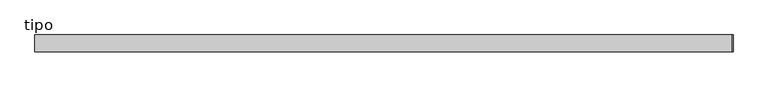
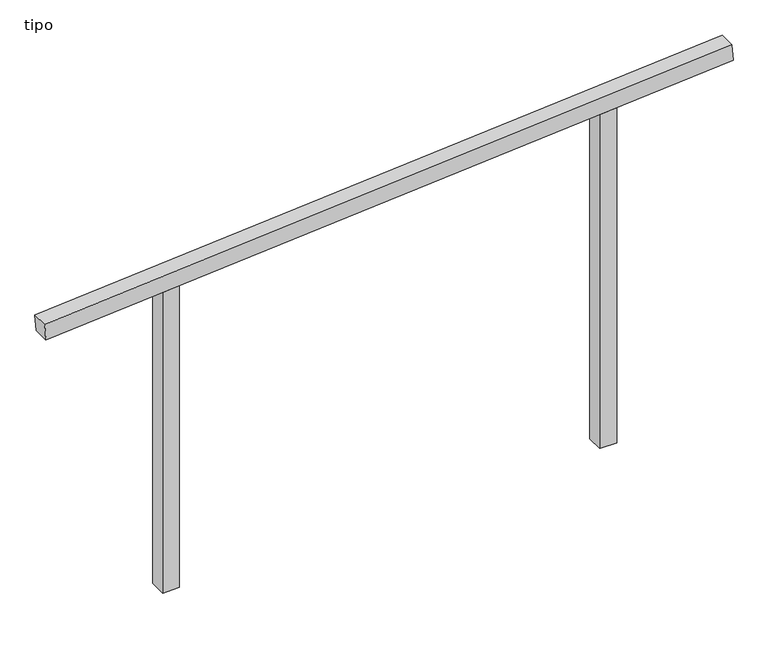
"""IFC4 building model written with IfcOpenShell, lengths in millimetres: proxy geometry, tipo."""

from ifc_helpers import new_model, si_unit, frame, origin, place, context, project, spatial, polyline, outline, extrude, source, transform, mapped, element, save


def tipo_0590c510(model_context):
    return source(origin(), model_context, "Body", "SweptSolid", [
        extrude(outline(polyline([(0.0, -4100.0), (0.0, 0.0), (100.0, 0.0), (100.0, -4100.0), (0.0, -4100.0)])), frame((-2043.4101135, -100.0, 1835.758994), z_axis=(-0.0801175638835454, 0.0, 0.9967854212203177), x_axis=(0.0, 1.0, 0.0)), (0.0, 0.0, 1.0), 100.0),
        extrude(outline(polyline([(2108.5075172, 1350.0), (2100.4699233, 1250.0), (0.0, 1250.0), (0.0, 1350.0), (2108.5075172, 1350.0)])), frame((0.0, -100.0, 0.0), z_axis=(0.0, 1.0, 0.0), x_axis=(0.0, 0.0, 1.0)), (0.0, 0.0, 1.0), 100.0),
        extrude(outline(polyline([(1891.4924828, -1350.0), (0.0, -1350.0), (0.0, -1250.0), (1899.5300767, -1250.0), (1891.4924828, -1350.0)])), frame((0.0, -100.0, 0.0), z_axis=(0.0, 1.0, 0.0), x_axis=(0.0, 0.0, 1.0)), (0.0, 0.0, 1.0), 100.0),
    ])


if __name__ == "__main__":
    model = new_model("IFC4")
    model_context = context("Model", 3, world=origin())
    ifc_project = project(units=[si_unit("LENGTHUNIT", "METRE", prefix="MILLI")], contexts=[model_context])
    site = spatial("IfcSite", under=ifc_project)
    building = spatial("IfcBuilding", under=site)
    placement = place(None, origin())
    tipo_shape = tipo_0590c510(model_context)
    element("IfcBuildingElementProxy", 1, Name="tipo", ObjectType="tipo", at=placement, inside=building, context=model_context, shape_type="MappedRepresentation", body=[
        mapped(tipo_shape, transform((0.0, 0.0, 0.0), x_axis=(1.0, 0.0, 0.0), y_axis=(0.0, 1.0, 0.0), z_axis=(0.0, 0.0, 1.0))),
    ])
    save(model, "model.ifc")
